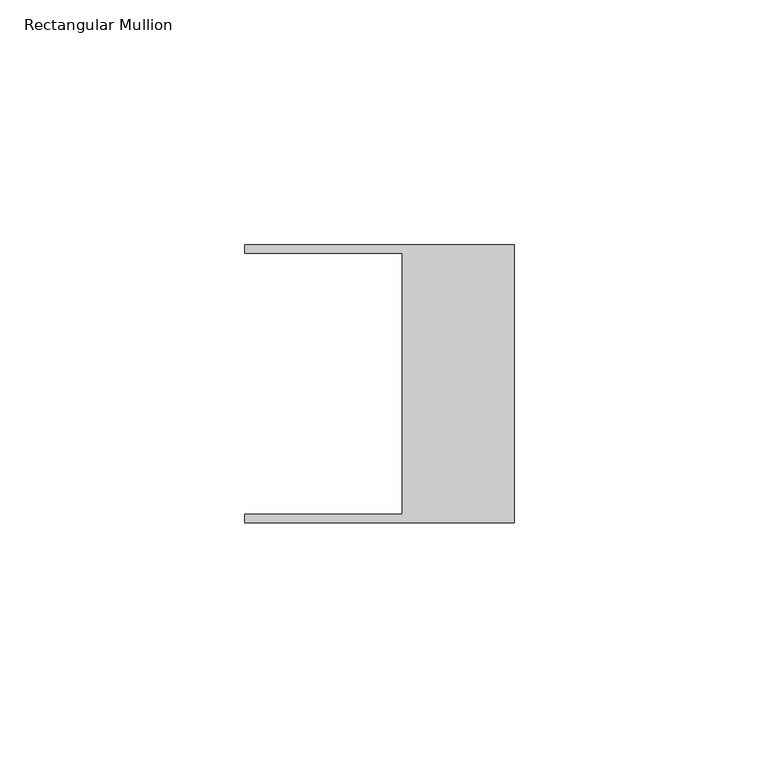
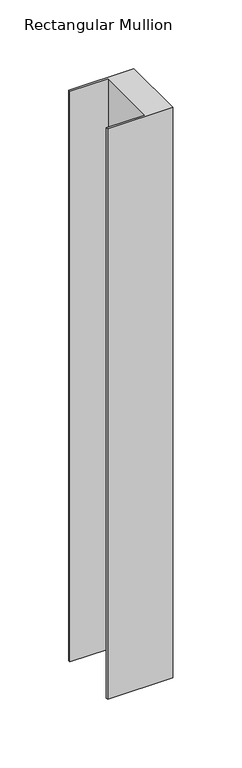
"""IFC4 building model written with IfcOpenShell, lengths in millimetres: member geometry, Rectangular Mullion."""

from ifc_helpers import new_model, si_unit, frame, origin, place, context, project, spatial, polyline, outline, extrude, source, transform, mapped, element, save


def rectangular_mullion_b5e77a0b(model_context):
    return source(origin(), model_context, "Body", "SweptSolid", [
        extrude(outline(polyline([(-55.118, 26.67), (-55.118, 28.448), (0.0, 28.448), (0.0, -28.448), (-55.118, -28.448), (-55.118, -26.67), (-22.86, -26.67), (-22.86, 26.67), (-55.118, 26.67)])), frame((0.0, 0.0, -508.0), z_axis=(0.0, 0.0, 1.0), x_axis=(1.0, 0.0, 0.0)), (0.0, 0.0, 1.0), 508.0),
    ])


if __name__ == "__main__":
    model = new_model("IFC4")
    model_context = context("Model", 3, world=origin())
    ifc_project = project(units=[si_unit("LENGTHUNIT", "METRE", prefix="MILLI")], contexts=[model_context])
    site = spatial("IfcSite", under=ifc_project)
    building = spatial("IfcBuilding", under=site)
    placement = place(None, origin())
    rectangular_mullion_shape = rectangular_mullion_b5e77a0b(model_context)
    element("IfcMember", 1, ObjectType="Rectangular Mullion", at=placement, inside=building, context=model_context, shape_type="MappedRepresentation", body=[
        mapped(rectangular_mullion_shape, transform((0.0, 0.0, 0.0), x_axis=(1.0, 0.0, 0.0), y_axis=(0.0, 1.0, 0.0), z_axis=(0.0, 0.0, 1.0))),
    ])
    save(model, "model.ifc")
